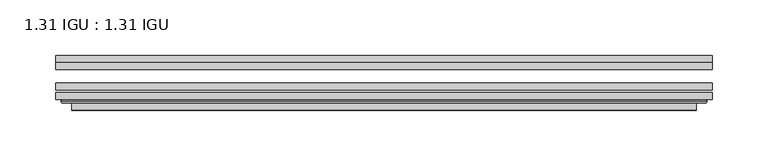
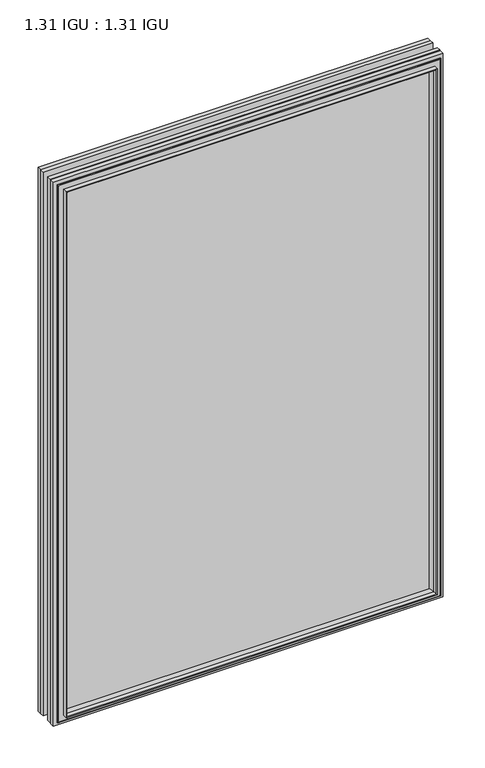
"""IFC4 building model written with IfcOpenShell, lengths in millimetres: plate geometry, 1.31 IGU : 1.31 IGU."""

from ifc_helpers import new_model, si_unit, frame, origin, place, context, project, spatial, polyline, ellipse_curve, outline, extrude, faceted_brep, source, transform, mapped, element, save
from ifc_brep_helpers import plane_surface, cylinder_surface, advanced_brep


def plate_1_31_igu_1_31_igu_03b7279c(model_context):
    return source(origin(), model_context, "Body", "SolidModel", [
        extrude(outline(polyline([(295.1435218, -66.4725937), (295.1435218, -72.8225938), (-295.1293469, -72.8225938), (-295.1293469, -66.4725937), (295.1435218, -66.4725937)])), frame((0.0, 0.0, -14.2875), z_axis=(0.0, 0.0, 1.0), x_axis=(1.0, 0.0, 0.0)), (0.0, 0.0, 1.0), 869.9537979),
        extrude(outline(polyline([(-295.1293469, -81.4585938), (-295.1293469, -75.1080887), (295.1435218, -75.1080887), (295.1435218, -81.4585938), (-295.1293469, -81.4585938)])), frame((0.0, 0.0, -14.2875), z_axis=(0.0, 0.0, 1.0), x_axis=(1.0, 0.0, 0.0)), (0.0, 0.0, 1.0), 869.9537979),
        extrude(outline(polyline([(295.1435218, -48.1337937), (295.1435218, -54.4837938), (-295.1293469, -54.4837938), (-295.1293469, -48.1337937), (295.1435218, -48.1337937)])), frame((0.0, 0.0, -14.2875), z_axis=(0.0, 0.0, 1.0), x_axis=(1.0, 0.0, 0.0)), (0.0, 0.0, 1.0), 869.9537979),
        faceted_brep([(-280.8365371, -41.7837938, 841.3696902), (-279.9441028, -48.1337937, 840.4772559), (-279.9441028, -48.1337937, 0.8977441), (-280.8365371, -41.7837938, 0.0053098), (-295.1420469, -48.1337937, 855.6752), (-295.1420469, -41.7837938, 855.6752), (-295.1420469, -41.7837938, -14.3002), (-295.1420469, -48.1337937, -14.3002), (279.9441028, -48.1337937, 0.8977441), (280.8365371, -41.7837938, 0.0053098), (295.1420469, -41.7837938, -14.3002), (295.1420469, -48.1337937, -14.3002), (279.9441028, -48.1337937, 840.4772559), (280.8365371, -41.7837938, 841.3696902), (295.1420469, -41.7837938, 855.6752), (295.1420469, -48.1337937, 855.6752)], [[[0, 1, 2, 3]], [[4, 5, 6, 7]], [[3, 2, 8, 9]], [[7, 6, 10, 11]], [[9, 8, 12, 13]], [[11, 10, 14, 15]], [[7, 11, 15, 4], [1, 12, 8, 2]], [[13, 12, 1, 0]], [[5, 14, 10, 6], [3, 9, 13, 0]], [[15, 14, 5, 4]]]),
        advanced_brep(
        [(-289.2404818, -84.6335938, 849.7736349), (-290.2422713, -83.4482604, 850.7754244), (-290.2422713, -83.4482604, -9.4004244), (-289.2404818, -84.6335938, -8.3986349), (-280.8364253, -91.0948368, 841.3695784), (-280.8364253, -84.6335938, 841.3695784), (-280.8364253, -84.6335938, 0.0054216), (-280.8364253, -91.0948368, 0.0054216), (-279.8457685, -90.6958619, 840.3789217), (-279.8457685, -90.6958619, 0.9960783), (-278.8137408, -85.2986307, 839.3468939), (-278.8137408, -85.2986307, 2.0281061), (-273.8789089, -81.4585938, 834.4120621), (-273.8789089, -81.4585938, 6.9629379), (-287.8880659, -81.4585938, 848.421219), (-287.8880659, -81.4585938, -7.046219), (290.2422713, -83.4482604, -9.4004244), (289.2404818, -84.6335938, -8.3986349), (280.8364253, -84.6335938, 0.0054216), (280.8364253, -91.0948368, 0.0054216), (279.8457685, -90.6958619, 0.9960783), (278.8137408, -85.2986307, 2.0281061), (273.8789089, -81.4585938, 6.9629379), (287.8880659, -81.4585938, -7.046219), (290.2422713, -83.4482604, 850.7754244), (289.2404818, -84.6335938, 849.7736349), (280.8364253, -84.6335938, 841.3695784), (280.8364253, -91.0948368, 841.3695784), (279.8457685, -90.6958619, 840.3789217), (278.8137408, -85.2986307, 839.3468939), (273.8789089, -81.4585938, 834.4120621), (287.8880659, -81.4585938, 848.421219)],
        [
            (0, 1, ellipse_curve(frame((-289.2404818, -83.6175938, 849.7736349), z_axis=(-0.7071067811865475, 0.0, -0.7071067811865475), x_axis=(-0.7071067811865474, 0.0, 0.7071067811865476)), 1.436841, 1.016)),
            (1, 2),
            (2, 3, ellipse_curve(frame((-289.2404818, -83.6175938, -8.3986349), z_axis=(-0.7071067811865475, 0.0, 0.7071067811865475), x_axis=(0.7071067811865474, 0.0, 0.7071067811865476)), 1.436841, 1.016)),
            (3, 0),
            (4, 5),
            (5, 6),
            (6, 7),
            (7, 4),
            (8, 4, ellipse_curve(frame((-280.4694687, -90.5766015, 841.0026219), z_axis=(-0.7071067811865475, 0.0, -0.7071067811865475), x_axis=(-0.7071067811865474, 0.0, 0.7071067811865476)), 0.8980256, 0.635)),
            (7, 9, ellipse_curve(frame((-280.4694687, -90.5766015, 0.3723781), z_axis=(-0.7071067811865475, 0.0, 0.7071067811865475), x_axis=(0.7071067811865474, 0.0, 0.7071067811865476)), 0.8980256, 0.635)),
            (9, 8),
            (10, 8),
            (9, 11),
            (11, 10),
            (12, 10),
            (11, 13),
            (13, 12),
            (1, 14, ellipse_curve(frame((-287.8880659, -83.8461938, 848.421219), z_axis=(-0.7071067811865475, 0.0, -0.7071067811865475), x_axis=(-0.7071067811865474, 0.0, 0.7071067811865476)), 3.3765763, 2.3876)),
            (14, 15),
            (15, 2, ellipse_curve(frame((-287.8880659, -83.8461938, -7.046219), z_axis=(-0.7071067811865475, 0.0, 0.7071067811865475), x_axis=(0.7071067811865474, 0.0, 0.7071067811865476)), 3.3765763, 2.3876)),
            (2, 16),
            (16, 17, ellipse_curve(frame((289.2404818, -83.6175938, -8.3986349), z_axis=(-0.7071067811865475, 0.0, -0.7071067811865475), x_axis=(-0.7071067811865476, 0.0, 0.7071067811865474)), 1.436841, 1.016)),
            (17, 3),
            (6, 18),
            (18, 19),
            (19, 7),
            (19, 20, ellipse_curve(frame((280.4694687, -90.5766015, 0.3723781), z_axis=(-0.7071067811865475, 0.0, -0.7071067811865475), x_axis=(-0.7071067811865476, 0.0, 0.7071067811865474)), 0.8980256, 0.635)),
            (20, 9),
            (20, 21),
            (21, 11),
            (21, 22),
            (22, 13),
            (15, 23),
            (23, 16, ellipse_curve(frame((287.8880659, -83.8461938, -7.046219), z_axis=(-0.7071067811865475, 0.0, -0.7071067811865475), x_axis=(-0.7071067811865476, 0.0, 0.7071067811865474)), 3.3765763, 2.3876)),
            (16, 24),
            (24, 25, ellipse_curve(frame((289.2404818, -83.6175938, 849.7736349), z_axis=(0.7071067811865475, 0.0, -0.7071067811865475), x_axis=(-0.7071067811865474, 0.0, -0.7071067811865476)), 1.436841, 1.016)),
            (25, 17),
            (18, 26),
            (26, 27),
            (27, 19),
            (27, 28, ellipse_curve(frame((280.4694687, -90.5766015, 841.0026219), z_axis=(0.7071067811865475, 0.0, -0.7071067811865475), x_axis=(-0.7071067811865474, 0.0, -0.7071067811865476)), 0.8980256, 0.635)),
            (28, 20),
            (28, 29),
            (29, 21),
            (29, 30),
            (30, 22),
            (23, 31),
            (31, 24, ellipse_curve(frame((287.8880659, -83.8461938, 848.421219), z_axis=(0.7071067811865475, 0.0, -0.7071067811865475), x_axis=(-0.7071067811865474, 0.0, -0.7071067811865476)), 3.3765763, 2.3876)),
            (24, 1),
            (0, 25),
            (5, 26),
            (4, 27),
            (8, 28),
            (10, 29),
            (12, 30),
            (14, 31),
        ],
        [
            cylinder_surface(frame((-289.2404818, -83.6175938, 873.125), z_axis=(0.0, 0.0, 1.0), x_axis=(-1.0, 0.0, 0.0)), 1.016),
            plane_surface(frame((-280.8364253, -84.6335938, 841.3695784), z_axis=(-1.0, 0.0, 0.0), x_axis=(0.0, 0.0, -1.0))),
            cylinder_surface(frame((-280.4694687, -90.5766015, 873.125), z_axis=(0.0, 0.0, 1.0), x_axis=(-1.0, 0.0, 0.0)), 0.635),
            plane_surface(frame((-279.8457685, -90.6958619, 840.3789217), z_axis=(0.9822050625507717, -0.18781164793386754, 0.0), x_axis=(0.0, 0.0, -1.0))),
            plane_surface(frame((-278.8137408, -85.2986307, 839.3468939), z_axis=(0.6141233906514726, -0.7892100234124875, 0.0), x_axis=(0.0, 0.0, -1.0))),
            cylinder_surface(frame((-287.8880659, -83.8461938, 873.125), z_axis=(0.0, 0.0, 1.0), x_axis=(-1.0, 0.0, 0.0)), 2.3876),
            cylinder_surface(frame((-312.5918469, -83.6175938, -8.3986349), z_axis=(-1.0, 0.0, 0.0), x_axis=(0.0, 0.0, -1.0)), 1.016),
            plane_surface(frame((-280.8364253, -84.6335938, 0.0054216), z_axis=(0.0, 0.0, -1.0), x_axis=(1.0, 0.0, 0.0))),
            cylinder_surface(frame((-312.5918469, -90.5766015, 0.3723781), z_axis=(-1.0, 0.0, 0.0), x_axis=(0.0, 0.0, -1.0)), 0.635),
            plane_surface(frame((-279.8457685, -90.6958619, 0.9960783), z_axis=(0.0, -0.18781164793386435, 0.9822050625507722), x_axis=(1.0, 0.0, 0.0))),
            plane_surface(frame((-278.8137408, -85.2986307, 2.0281061), z_axis=(0.0, -0.7892100234124855, 0.6141233906514751), x_axis=(1.0, 0.0, 0.0))),
            cylinder_surface(frame((-312.5918469, -83.8461938, -7.046219), z_axis=(-1.0, 0.0, 0.0), x_axis=(0.0, 0.0, -1.0)), 2.3876),
            cylinder_surface(frame((289.2404818, -83.6175938, -31.75), z_axis=(0.0, 0.0, -1.0), x_axis=(1.0, 0.0, 0.0)), 1.016),
            plane_surface(frame((280.8364253, -84.6335938, 0.0054216), z_axis=(1.0, 0.0, 0.0), x_axis=(0.0, 0.0, 1.0))),
            cylinder_surface(frame((280.4694687, -90.5766015, -31.75), z_axis=(0.0, 0.0, -1.0), x_axis=(1.0, 0.0, 0.0)), 0.635),
            plane_surface(frame((279.8457685, -90.6958619, 0.9960783), z_axis=(-0.9822050625507728, -0.18781164793386115, 0.0), x_axis=(0.0, 0.0, 1.0))),
            plane_surface(frame((278.8137408, -85.2986307, 2.0281061), z_axis=(-0.6141233906514777, -0.7892100234124835, 0.0), x_axis=(0.0, 0.0, 1.0))),
            cylinder_surface(frame((287.8880659, -83.8461938, -31.75), z_axis=(0.0, 0.0, -1.0), x_axis=(1.0, 0.0, 0.0)), 2.3876),
            cylinder_surface(frame((312.5918469, -83.6175938, 849.7736349), z_axis=(1.0, 0.0, 0.0), x_axis=(0.0, 0.0, 1.0)), 1.016),
            plane_surface(frame((289.2404818, -84.6335938, 849.7736349), z_axis=(0.0, -1.0, 0.0), x_axis=(-1.0, 0.0, 0.0))),
            plane_surface(frame((280.8364253, -84.6335938, 841.3695784), z_axis=(0.0, 0.0, 1.0), x_axis=(-1.0, 0.0, 0.0))),
            cylinder_surface(frame((312.5918469, -90.5766015, 841.0026219), z_axis=(1.0, 0.0, 0.0), x_axis=(0.0, 0.0, 1.0)), 0.635),
            plane_surface(frame((279.8457685, -90.6958619, 840.3789217), z_axis=(0.0, -0.18781164793386435, -0.9822050625507722), x_axis=(-1.0, 0.0, 0.0))),
            plane_surface(frame((278.8137408, -85.2986307, 839.3468939), z_axis=(0.0, -0.7892100234124855, -0.6141233906514751), x_axis=(-1.0, 0.0, 0.0))),
            plane_surface(frame((273.8789089, -81.4585938, 834.4120621), z_axis=(0.0, 1.0, 0.0), x_axis=(-1.0, 0.0, 0.0))),
            cylinder_surface(frame((312.5918469, -83.8461938, 848.421219), z_axis=(1.0, 0.0, 0.0), x_axis=(0.0, 0.0, 1.0)), 2.3876),
        ],
        [
            (0, [[1, 2, 3, 4]]),
            (1, [[5, 6, 7, 8]]),
            (2, [[9, -8, 10, 11]]),
            (3, [[12, -11, 13, 14]]),
            (4, [[15, -14, 16, 17]]),
            (5, [[18, 19, 20, -2]]),
            (6, [[-3, 21, 22, 23]]),
            (7, [[-7, 24, 25, 26]]),
            (8, [[-10, -26, 27, 28]]),
            (9, [[-13, -28, 29, 30]]),
            (10, [[-16, -30, 31, 32]]),
            (11, [[-20, 33, 34, -21]]),
            (12, [[-22, 35, 36, 37]]),
            (13, [[-25, 38, 39, 40]]),
            (14, [[-27, -40, 41, 42]]),
            (15, [[-29, -42, 43, 44]]),
            (16, [[-31, -44, 45, 46]]),
            (17, [[-34, 47, 48, -35]]),
            (18, [[-36, 49, -1, 50]]),
            (19, [[-23, -37, -50, -4], [51, -38, -24, -6]]),
            (20, [[-39, -51, -5, 52]]),
            (21, [[-41, -52, -9, 53]]),
            (22, [[-43, -53, -12, 54]]),
            (23, [[-45, -54, -15, 55]]),
            (24, [[56, -47, -33, -19], [-32, -46, -55, -17]]),
            (25, [[-48, -56, -18, -49]]),
        ],
    ),
    ])


if __name__ == "__main__":
    model = new_model("IFC4")
    model_context = context("Model", 3, world=origin())
    ifc_project = project(units=[si_unit("LENGTHUNIT", "METRE", prefix="MILLI")], contexts=[model_context])
    site = spatial("IfcSite", under=ifc_project)
    building = spatial("IfcBuilding", under=site)
    placement = place(None, origin())
    plate_1_31_igu_1_31_igu_shape = plate_1_31_igu_1_31_igu_03b7279c(model_context)
    element("IfcPlate", 1, ObjectType="1.31 IGU : 1.31 IGU", at=placement, inside=building, context=model_context, shape_type="MappedRepresentation", body=[
        mapped(plate_1_31_igu_1_31_igu_shape, transform((0.0, 0.0, 0.0), x_axis=(1.0, 0.0, 0.0), y_axis=(0.0, 1.0, 0.0), z_axis=(0.0, 0.0, 1.0))),
    ])
    save(model, "model.ifc")
